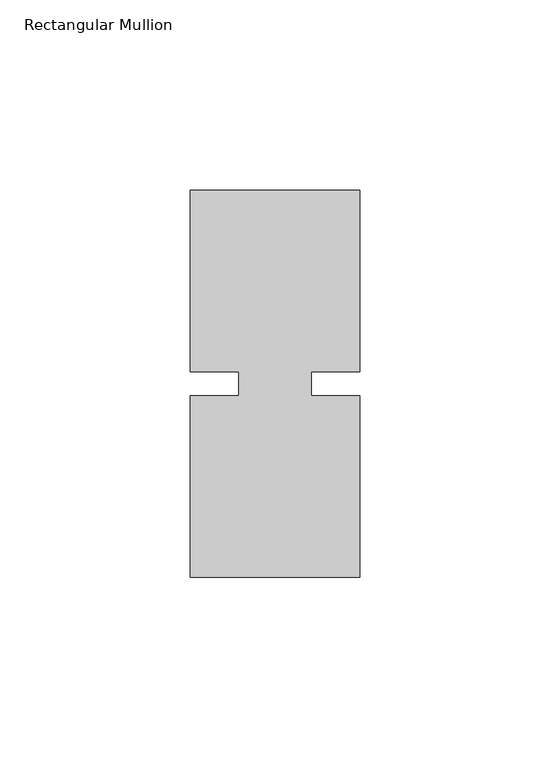
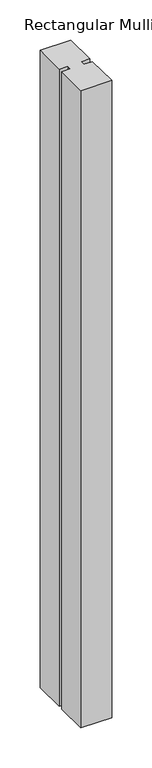
"""IFC4 building model written with IfcOpenShell, lengths in millimetres: member geometry, Rectangular Mullion."""

import ifcopenshell
import ifcopenshell.guid

model = None  # the IFC model being written
_history = None  # IfcOwnerHistory: only IFC2X3 demands one
_inside = {}  # id of a spatial element -> (the spatial element, [elements in it])
_under = {}  # id of a project, library or spatial element -> (it, [spatial elements below it])
_declared = {}  # id of a project -> (the project, [libraries it declares])
_typed = {}  # id of a type object -> (the type object, [elements of that type])
_made_of = {}  # id of a material, layer set ... -> (it, [elements and type objects made of it])


def new_model(schema):
    """Start an empty IFC model of exactly this schema.

    Asked for "IFC4X3", IfcOpenShell would pick the latest addendum, in which some entities
    have other attributes; the version numbers below select the first issue.
    IFC2X3 requires an IfcOwnerHistory on every rooted entity: one is made here for all.
    """
    global model, _history
    if schema == "IFC4X3":
        model = ifcopenshell.file(schema_version=(4, 3, 0, 0))
    else:
        model = ifcopenshell.file(schema=schema)
    _inside.clear()
    _under.clear()
    _declared.clear()
    _typed.clear()
    _made_of.clear()
    _history = None
    if model.schema == "IFC2X3":
        org = make("IfcOrganization", Name="unknown")
        user = make(
            "IfcPersonAndOrganization",
            ThePerson=make("IfcPerson", FamilyName="unknown"),
            TheOrganization=org,
        )
        app = make(
            "IfcApplication",
            ApplicationDeveloper=org,
            Version="unknown",
            ApplicationFullName="unknown",
            ApplicationIdentifier="unknown",
        )
        _history = make(
            "IfcOwnerHistory",
            OwningUser=user,
            OwningApplication=app,
            ChangeAction="ADDED",
            CreationDate=0,
        )
    return model


def make(cls, **values):
    """One entity of the class cls with the attributes given. An attribute that is None is left unset."""
    return model.create_entity(
        cls, **{name: value for name, value in values.items() if value is not None}
    )


def rooted(cls, **values):
    """An entity with a GlobalId (a new one), such as an element, a storey or a relation."""
    return make(cls, GlobalId=ifcopenshell.guid.new(), OwnerHistory=_history, **values)


def si_unit(unit_type, name, prefix=None):
    """IfcSIUnit, for example si_unit("LENGTHUNIT", "METRE", prefix="MILLI")."""
    return make("IfcSIUnit", UnitType=unit_type, Prefix=prefix, Name=name)


def assignment(units):
    """IfcUnitAssignment: the units of a project."""
    return None if units is None else make("IfcUnitAssignment", Units=units)


def point(xyz):
    """IfcCartesianPoint."""
    return None if xyz is None else make("IfcCartesianPoint", Coordinates=xyz)


def direction(xyz):
    """IfcDirection."""
    return None if xyz is None else make("IfcDirection", DirectionRatios=xyz)


def frame(location, z_axis=None, x_axis=None):
    """IfcAxis2Placement3D, a coordinate frame: its origin and axes. An axis left out is left unset."""
    return make(
        "IfcAxis2Placement3D",
        Location=point(location),
        Axis=direction(z_axis),
        RefDirection=direction(x_axis),
    )


def origin():
    """The frame at (0, 0, 0) with its axes left unset."""
    return frame((0.0, 0.0, 0.0))


def place(relative_to, where):
    """IfcLocalPlacement: puts the frame where relative to a parent placement (None: the world)."""
    return make(
        "IfcLocalPlacement", PlacementRelTo=relative_to, RelativePlacement=where
    )


def context(
    kind, dimensions, precision=None, world=None, true_north=None, identifier=None
):
    """IfcGeometricRepresentationContext, for example the 3D "Model" context."""
    return make(
        "IfcGeometricRepresentationContext",
        ContextIdentifier=identifier,
        ContextType=kind,
        CoordinateSpaceDimension=dimensions,
        Precision=precision,
        WorldCoordinateSystem=world,
        TrueNorth=true_north,
    )


def project(units=None, contexts=None):
    """IfcProject with its units and contexts."""
    return rooted(
        "IfcProject",
        Name="project",
        RepresentationContexts=contexts,
        UnitsInContext=assignment(units),
    )


def spatial(cls, under=None, at=None, **own):
    """A site, building, storey or space (cls), placed at a placement, below another one or the project."""
    s = rooted(cls, ObjectPlacement=at, **own)
    if under is not None:
        _under.setdefault(under.id(), (under, []))[1].append(s)
    return s


def polyline(points):
    """IfcPolyline through the points."""
    return make("IfcPolyline", Points=[point(p) for p in points])


def outline(outer, holes=None, kind="AREA"):
    """IfcArbitraryClosedProfileDef: a profile drawn as a closed curve; with holes, ...WithVoids."""
    if holes is None:
        return make("IfcArbitraryClosedProfileDef", ProfileType=kind, OuterCurve=outer)
    return make(
        "IfcArbitraryProfileDefWithVoids",
        ProfileType=kind,
        OuterCurve=outer,
        InnerCurves=holes,
    )


def extrude(swept, where, along, depth):
    """IfcExtrudedAreaSolid: the profile swept, set in the frame where, extruded along a direction by depth."""
    return make(
        "IfcExtrudedAreaSolid",
        SweptArea=swept,
        Position=where,
        ExtrudedDirection=direction(along),
        Depth=depth,
    )


def shape(context_of_items, identifier, shape_type, items):
    """IfcShapeRepresentation: the items that make up one representation, for example the "Body"."""
    return make(
        "IfcShapeRepresentation",
        ContextOfItems=context_of_items,
        RepresentationIdentifier=identifier,
        RepresentationType=shape_type,
        Items=items,
    )


def source(mapping_origin, context_of_items, identifier, shape_type, items):
    """IfcRepresentationMap: a shape defined once, which mapped items show again and again."""
    return make(
        "IfcRepresentationMap",
        MappingOrigin=mapping_origin,
        MappedRepresentation=shape(context_of_items, identifier, shape_type, items),
    )


def transform(
    local_origin,
    x_axis=None,
    y_axis=None,
    z_axis=None,
    scale=None,
    scale2=None,
    scale3=None,
    uniform=True,
):
    """IfcCartesianTransformationOperator3D, or its non-uniform kind. x_axis, y_axis, z_axis: its Axis1, 2, 3."""
    if uniform:
        return make(
            "IfcCartesianTransformationOperator3D",
            Axis1=direction(x_axis),
            Axis2=direction(y_axis),
            LocalOrigin=point(local_origin),
            Scale=scale,
            Axis3=direction(z_axis),
        )
    return make(
        "IfcCartesianTransformationOperator3DnonUniform",
        Axis1=direction(x_axis),
        Axis2=direction(y_axis),
        LocalOrigin=point(local_origin),
        Scale=scale,
        Axis3=direction(z_axis),
        Scale2=scale2,
        Scale3=scale3,
    )


def mapped(mapping_source, mapping_target):
    """IfcMappedItem: shows the shape of a source again, moved by a transform."""
    return make(
        "IfcMappedItem", MappingSource=mapping_source, MappingTarget=mapping_target
    )


def made_of(thing, what):
    """Note that an element or type object is made of a material, layer set ...; save() writes the relation."""
    if what is not None:
        _made_of.setdefault(what.id(), (what, []))[1].append(thing)
    return thing


def element(
    cls,
    number,
    at=None,
    inside=None,
    cuts=None,
    type_object=None,
    material=None,
    context=None,
    identifier="Body",
    shape_type=None,
    held_by="IfcProductDefinitionShape",
    body=None,
    shapes=None,
    **own,
):
    """One element of the class cls, such as IfcWall. Its Tag is "e" and its number.

    at: its placement. inside: the storey or other place that contains it. cuts: it is an
    opening in that element (IfcRelVoidsElement). A single representation is given by context,
    identifier, shape_type and body (its items); several are given by shapes. held_by: the class
    of the entity that holds the representations. save() writes the other relations.
    """
    e = rooted(cls, Tag="e%d" % number, ObjectPlacement=at, **own)
    if body is not None:
        shapes = [shape(context, identifier, shape_type, body)]
    if shapes is not None:
        e.Representation = make(held_by, Representations=shapes)
    if inside is not None:
        _inside.setdefault(inside.id(), (inside, []))[1].append(e)
    if cuts is not None:
        rooted(
            "IfcRelVoidsElement", RelatingBuildingElement=cuts, RelatedOpeningElement=e
        )
    if type_object is not None:
        _typed.setdefault(type_object.id(), (type_object, []))[1].append(e)
    return made_of(e, material)


def aggregate(whole, parts):
    """IfcRelAggregates: a whole, such as a stair, and the parts it consists of."""
    return rooted("IfcRelAggregates", RelatingObject=whole, RelatedObjects=parts)


def save(model, path):
    """Write the relations noted so far, then the file.

    IfcRelAggregates (storeys below a building ...), IfcRelContainedInSpatialStructure (elements
    in a storey), IfcRelDefinesByType, IfcRelAssociatesMaterial and IfcRelDeclares: one each for
    every whole, place, type object, material and project.
    """
    for whole, parts in _under.values():
        aggregate(whole, parts)
    for where, things in _inside.values():
        rooted(
            "IfcRelContainedInSpatialStructure",
            RelatedElements=things,
            RelatingStructure=where,
        )
    for kind, things in _typed.values():
        rooted("IfcRelDefinesByType", RelatedObjects=things, RelatingType=kind)
    for what, things in _made_of.values():
        rooted("IfcRelAssociatesMaterial", RelatedObjects=things, RelatingMaterial=what)
    for by, libraries in _declared.values():
        rooted("IfcRelDeclares", RelatingContext=by, RelatedDefinitions=libraries)
    model.write(path)


def rectangular_mullion_d36fd070(model_context):
    return source(origin(), model_context, "Body", "SweptSolid", [
        extrude(outline(polyline([(26.5594027, 50.8), (26.5594027, 3.175), (13.8576322, 3.175), (13.8576322, -3.175), (26.5594027, -3.175), (26.5594027, -50.8), (-17.8905973, -50.8), (-17.8905973, -3.175), (-5.1905973, -3.175), (-5.1905973, 3.175), (-17.8905973, 3.175), (-17.8905973, 50.8), (26.5594027, 50.8)])), frame((0.0, 0.0, -971.55), z_axis=(0.0, 0.0, 1.0), x_axis=(1.0, 0.0, 0.0)), (0.0, 0.0, 1.0), 971.55),
    ])


if __name__ == "__main__":
    model = new_model("IFC4")
    model_context = context("Model", 3, world=origin())
    ifc_project = project(units=[si_unit("LENGTHUNIT", "METRE", prefix="MILLI")], contexts=[model_context])
    site = spatial("IfcSite", under=ifc_project)
    building = spatial("IfcBuilding", under=site)
    placement = place(None, origin())
    rectangular_mullion_shape = rectangular_mullion_d36fd070(model_context)
    element("IfcMember", 1, ObjectType="Rectangular Mullion", at=placement, inside=building, context=model_context, shape_type="MappedRepresentation", body=[
        mapped(rectangular_mullion_shape, transform((0.0, 0.0, 0.0), x_axis=(1.0, 0.0, 0.0), y_axis=(0.0, 1.0, 0.0), z_axis=(0.0, 0.0, 1.0))),
    ])
    save(model, "model.ifc")
